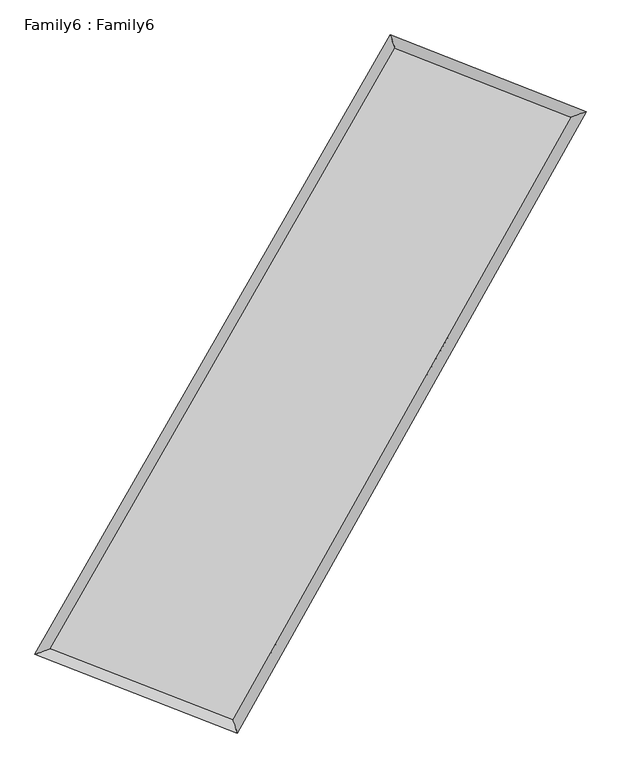
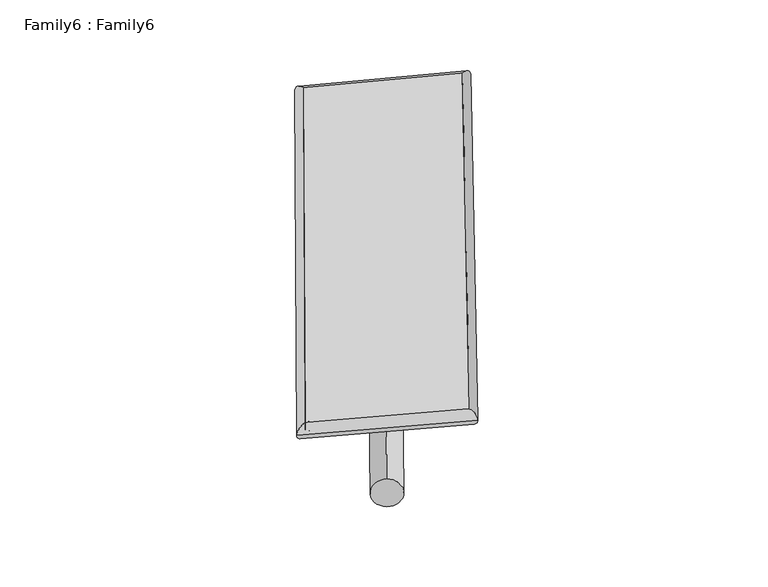
"""IFC4 building model written with IfcOpenShell, lengths in millimetres: plate geometry, Family6 : Family6."""

from ifc_helpers import new_model, si_unit, point, frame, origin, origin_2d, place, context, project, spatial, circle_curve, ellipse_curve, trimmed, segment, composite_curve, outline, extrude, source, transform, mapped, element, save
from ifc_brep_helpers import plane_surface, cylinder_surface, spline_surface, advanced_brep


def family6_family6_8815f3ba(model_context):
    return source(origin(), model_context, "Body", "SolidModel", [
        extrude(outline(composite_curve([segment(trimmed(circle_curve(origin_2d(), 76.2), [point((-75.4341514, -10.7763074))], [point((75.4341514, 10.7763074))], False, "CARTESIAN"), True, "CONTINUOUS"), segment(trimmed(circle_curve(origin_2d(), 76.2), [point((75.4341514, 10.7763074))], [point((-75.4341514, -10.7763074))], False, "CARTESIAN"), True, "CONTINUOUS")], self_intersect=False)), frame((9144.0, 9144.0, 0.0), z_axis=(0.6731685555145038, 0.6918342607292567, 0.2611693924404605), x_axis=(-0.6825962864655295, 0.71718179252327, -0.14040151771465392)), (0.0, 0.0, 1.0), 5864.9287757),
        extrude(outline(composite_curve([segment(trimmed(circle_curve(origin_2d(), 76.2), [point((-53.8815367, 53.8815367))], [point((53.8815367, -53.8815367))], False, "CARTESIAN"), True, "CONTINUOUS"), segment(trimmed(circle_curve(origin_2d(), 76.2), [point((53.8815367, -53.8815367))], [point((-53.8815367, 53.8815367))], False, "CARTESIAN"), True, "CONTINUOUS")], self_intersect=False)), frame((9144.0, 9144.0, 0.0), z_axis=(-0.6788820423281086, -0.6866371011734387, 0.2600935675801179), x_axis=(0.6327670759088877, -0.367428304101811, 0.6816173919366958)), (0.0, 0.0, 1.0), 5889.004593),
        extrude(outline(composite_curve([segment(trimmed(circle_curve(origin_2d(), 76.2), [point((-53.8815367, -53.8815367))], [point((53.8815367, 53.8815367))], False, "CARTESIAN"), True, "CONTINUOUS"), segment(trimmed(circle_curve(origin_2d(), 76.2), [point((53.8815367, 53.8815367))], [point((-53.8815367, -53.8815367))], False, "CARTESIAN"), True, "CONTINUOUS")], self_intersect=False)), frame((9144.0, 9144.0, 0.0), z_axis=(0.22921184041400958, 0.9332858712540164, 0.2764767887755762), x_axis=(-0.8482612016935006, 0.33083270108344803, -0.41352467592070996)), (0.0, 0.0, 1.0), 5479.0587527),
        extrude(outline(composite_curve([segment(trimmed(circle_curve(origin_2d(), 76.2), [point((-75.4341514, 10.7763073))], [point((75.4341514, -10.7763073))], False, "CARTESIAN"), True, "CONTINUOUS"), segment(trimmed(circle_curve(origin_2d(), 76.2), [point((75.4341514, -10.7763073))], [point((-75.4341514, 10.7763073))], False, "CARTESIAN"), True, "CONTINUOUS")], self_intersect=False)), frame((9144.0, 9144.0, 0.0), z_axis=(-0.22028063921456414, -0.9354699009430275, 0.2763557569815866), x_axis=(0.8931492595530033, -0.0795416709793715, 0.44267089664640413)), (0.0, 0.0, 1.0), 5482.7922057),
        advanced_brep(
        [(4925.7285015, 5022.5901928, 1530.6056018), (4925.7201273, 5022.5792183, 1533.1267239), (5366.3925678, 5178.1917221, 1532.7788263), (10466.6164599, 14067.6448428, 1516.4120276), (10333.1138209, 14447.4114005, 1513.2531113), (5366.400942, 5178.2026967, 1530.2577043), (12873.5547898, 13123.5715876, 1531.5277532), (13310.6164745, 13279.54574, 1531.952017), (7868.1321545, 4205.0332961, 1515.4715569), (8004.361902, 3824.9925409, 1514.9308239)],
        [
            (0, 1, ellipse_curve(frame((5146.0605346, 5100.3909575, 1531.6922141), z_axis=(-0.3329707371190347, 0.9429323923199061, 0.0029986223946371817), x_axis=(-0.9429215980455199, -0.3329818284816069, 0.004686346159708335)), 233.6809263, 152.4)),
            (1, 2, ellipse_curve(frame((5146.0605346, 5100.3909575, 1531.6922141), z_axis=(-0.3329707371190347, 0.9429323923199061, 0.0029986223946371817), x_axis=(-0.9429215980455199, -0.3329818284816069, 0.004686346159708335)), 233.6809263, 152.4)),
            (2, 3),
            (3, 4, ellipse_curve(frame((10399.8651404, 14257.5281216, 1514.8325695), z_axis=(-0.943393835115507, -0.33166277661311333, -0.002806149556923905), x_axis=(0.331643617392869, -0.943387541172481, 0.005697210116615507)), 201.2809785, 152.4)),
            (4, 0),
            (2, 5, ellipse_curve(frame((5146.0605346, 5100.3909575, 1531.6922141), z_axis=(-0.3329707371190347, 0.9429323923199061, 0.0029986223946371817), x_axis=(-0.9429215980455199, -0.3329818284816069, 0.004686346159708335)), 233.6809263, 152.4)),
            (5, 0, ellipse_curve(frame((5146.0605346, 5100.3909575, 1531.6922141), z_axis=(-0.3329707371190347, 0.9429323923199061, 0.0029986223946371817), x_axis=(-0.9429215980455199, -0.3329818284816069, 0.004686346159708335)), 233.6809263, 152.4)),
            (4, 3, ellipse_curve(frame((10399.8651404, 14257.5281216, 1514.8325695), z_axis=(-0.943393835115507, -0.33166277661311333, -0.002806149556923905), x_axis=(0.331643617392869, -0.943387541172481, 0.005697210116615507)), 201.2809785, 152.4)),
            (3, 6),
            (6, 7, ellipse_curve(frame((13092.0856322, 13201.5586638, 1531.7398851), z_axis=(-0.3361037927458254, 0.9418193259214374, -0.0032554297352106122), x_axis=(-0.9418075478912347, -0.33611658729888316, -0.004917568266121468)), 232.0320999, 152.4)),
            (7, 4),
            (7, 6, ellipse_curve(frame((13092.0856322, 13201.5586638, 1531.7398851), z_axis=(-0.3361037927458254, 0.9418193259214374, -0.0032554297352106122), x_axis=(-0.9418075478912347, -0.33611658729888316, -0.004917568266121468)), 232.0320999, 152.4)),
            (6, 8),
            (8, 9, ellipse_curve(frame((7936.2470283, 4015.0129185, 1515.2011904), z_axis=(0.9413438972304189, 0.33743868249628967, -0.0026081990366491363), x_axis=(-0.33742166509080884, 0.9413381394562109, 0.005396955851689597)), 201.8612374, 152.4)),
            (9, 7),
            (9, 8, ellipse_curve(frame((7936.2470283, 4015.0129185, 1515.2011904), z_axis=(0.9413438972304189, 0.33743868249628967, -0.0026081990366491363), x_axis=(-0.33742166509080884, 0.9413381394562109, 0.005396955851689597)), 201.8612374, 152.4)),
            (8, 5),
            (1, 9),
        ],
        [
            cylinder_surface(frame((5146.0605346, 5100.3909575, 1531.6922141), z_axis=(-0.4976481220278945, -0.8673775396720986, 0.0015969704089484858), x_axis=(-0.8673507660486611, 0.4976162162228886, -0.008986099644234231)), 152.4),
            cylinder_surface(frame((10399.8651404, 14257.5281216, 1514.8325695), z_axis=(-0.9309341666729322, 0.3651402440119882, -0.00584632566997405), x_axis=(0.36517027195101104, 0.9309255452445242, -0.005319933684755919)), 152.4),
            cylinder_surface(frame((13092.0856322, 13201.5586638, 1531.7398851), z_axis=(0.4894244097439449, 0.8720443121678259, 0.0015699562206736703), x_axis=(0.8720456287833135, -0.48942440974394497, -0.0004104469598464053)), 152.4),
            cylinder_surface(frame((7936.2470283, 4015.0129185, 1515.2011904), z_axis=(0.9319560575180285, -0.36252940097545105, -0.0055082015063039995), x_axis=(-0.3625178052341008, -0.931971984396102, 0.0030101808986441768)), 152.4),
        ],
        [
            (0, [[1, 2, 3, 4, 5]]),
            (0, [[6, 7, -5, 8, -3]]),
            (1, [[-4, 9, 10, 11]]),
            (1, [[-8, -11, 12, -9]]),
            (2, [[-10, 13, 14, 15]]),
            (2, [[-12, -15, 16, -13]]),
            (3, [[-14, 17, -6, -2, 18]]),
            (3, [[-16, -18, -1, -7, -17]]),
        ],
    ),
        extrude(outline(composite_curve([segment(trimmed(circle_curve(origin_2d(), 304.8), [point((0.0, -304.8))], [point((0.0, 304.8))], False, "CARTESIAN"), True, "CONTINUOUS"), segment(trimmed(circle_curve(origin_2d(), 304.8), [point((0.0, 304.8))], [point((0.0, -304.8))], False, "CARTESIAN"), True, "CONTINUOUS")], self_intersect=False)), frame((6526.0009321, 4541.943349, -0.0036835), z_axis=(0.49446539530873856, 0.8691973152522324, 6.957120746133836e-07), x_axis=(-0.8691973152524916, 0.4944653953087386, 1.8403918258803446e-07)), (0.0, 0.0, 1.0), 10589.2104594),
        advanced_brep(
        [(5146.0605346, 5100.3909575, 1531.6922141), (7936.2470283, 4015.0129185, 1515.2011904), (7936.251452, 4015.0131842, 1667.6011903), (5146.0649584, 5100.3912232, 1684.092214), (13092.0856322, 13201.5586638, 1531.7398851), (13092.0900559, 13201.5589295, 1684.139885), (10399.8651404, 14257.5281216, 1514.8325695), (10399.8695642, 14257.5283874, 1667.2325694)],
        [
            (0, 1),
            (1, 2),
            (2, 3),
            (3, 0),
            (1, 4),
            (4, 5),
            (5, 2),
            (4, 6),
            (6, 7),
            (7, 5),
            (6, 0),
            (3, 7),
        ],
        [
            plane_surface(frame((6541.1537814, 4557.701938, 1523.4467022), z_axis=(-0.3625348383319732, -0.9319702199362528, 1.2148365962524627e-05), x_axis=(0.9319560575180283, -0.36252940097545117, -0.005508201506304002))),
            plane_surface(frame((10514.1663302, 8608.2857911, 1523.4705377), z_axis=(0.8720454053943454, -0.48942497926886763, -2.4459774378712525e-05), x_axis=(0.4894244097439452, 0.8720443121678256, 0.0015699562206736707))),
            plane_surface(frame((11745.9753863, 13729.5433927, 1523.2862273), z_axis=(0.36514655082773756, 0.9309500503621126, -1.2222398181722504e-05), x_axis=(-0.9309341666729319, 0.36514024401198875, -0.005846325669974053))),
            plane_surface(frame((7772.9628375, 9678.9595396, 1523.2623918), z_axis=(-0.8673786261407699, 0.4976487901353486, 2.4309971560912153e-05), x_axis=(-0.49764812202789505, -0.8673775396720983, 0.0015969704089484837))),
            spline_surface(1, 1, [[(7936.251452, 4015.0131842, 1667.6011903), (5146.0649584, 5100.3912232, 1684.092214)], [(13092.0900559, 13201.5589295, 1684.139885), (10399.8695642, 14257.5283874, 1667.2325694)]], [2, 2], [2, 2], [0.0, 1.0], [0.0, 1.0]),
            spline_surface(1, 1, [[(10399.8651404, 14257.5281216, 1514.8325695), (5146.0605346, 5100.3909575, 1531.6922141)], [(13092.0856322, 13201.5586638, 1531.7398851), (7936.2470283, 4015.0129185, 1515.2011904)]], [2, 2], [2, 2], [0.0, 1.0], [0.0, 1.0]),
        ],
        [
            (0, [[1, 2, 3, 4]]),
            (1, [[5, 6, 7, -2]]),
            (2, [[8, 9, 10, -6]]),
            (3, [[11, -4, 12, -9]]),
            (4, [[-3, -7, -10, -12]]),
            (5, [[-11, -8, -5, -1]]),
        ],
    ),
    ])


if __name__ == "__main__":
    model = new_model("IFC4")
    model_context = context("Model", 3, world=origin())
    ifc_project = project(units=[si_unit("LENGTHUNIT", "METRE", prefix="MILLI")], contexts=[model_context])
    site = spatial("IfcSite", under=ifc_project)
    building = spatial("IfcBuilding", under=site)
    placement = place(None, origin())
    family6_family6_shape = family6_family6_8815f3ba(model_context)
    element("IfcPlate", 1, ObjectType="Family6 : Family6", at=placement, inside=building, context=model_context, shape_type="MappedRepresentation", body=[
        mapped(family6_family6_shape, transform((0.0, 0.0, 0.0), x_axis=(1.0, 0.0, 0.0), y_axis=(0.0, 1.0, 0.0), z_axis=(0.0, 0.0, 1.0))),
    ])
    save(model, "model.ifc")
